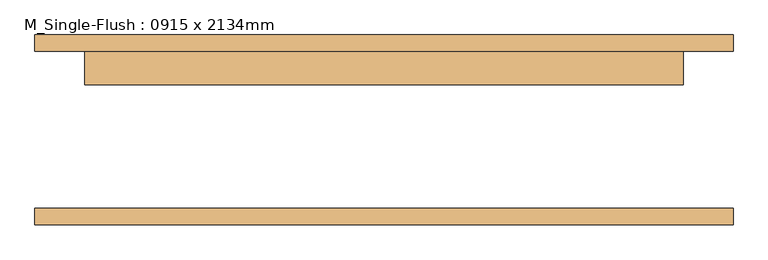
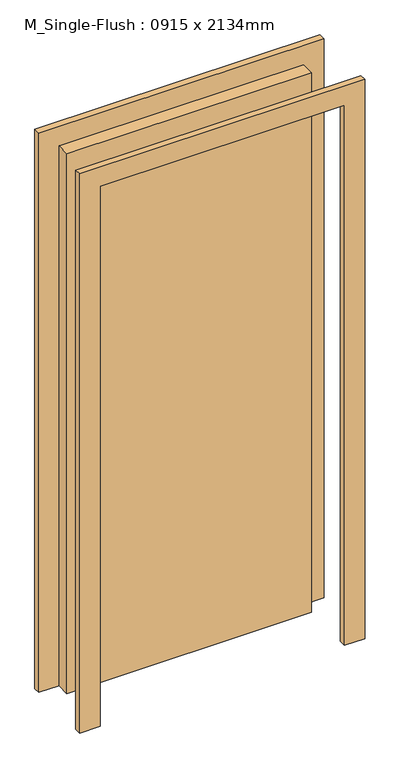
"""IFC4 building model written with IfcOpenShell, lengths in millimetres: door geometry, M_Single-Flush : 0915 x 2134mm."""

from ifc_helpers import new_model, si_unit, frame, origin, origin_with_axes, place, context, project, spatial, polyline, outline, extrude, source, transform, mapped, element, save


def m_single_flush_0915_x_2134mm_c020cfaa(model_context):
    return source(origin(), model_context, "Body", "SweptSolid", [
        extrude(outline(polyline([(2210.0, -533.5), (0.0, -533.5), (0.0, -457.5), (2134.0, -457.5), (2134.0, 457.5), (0.0, 457.5), (0.0, 533.5), (2210.0, 533.5), (2210.0, -533.5)])), frame((0.0, 120.0, 0.0), z_axis=(0.0, 1.0, 0.0), x_axis=(0.0, 0.0, 1.0)), (0.0, 0.0, 1.0), 25.0),
        extrude(outline(polyline([(2210.0, 533.5), (2210.0, -533.5), (0.0, -533.5), (0.0, -457.5), (2134.0, -457.5), (2134.0, 457.5), (0.0, 457.5), (0.0, 533.5), (2210.0, 533.5)])), frame((0.0, -145.0, 0.0), z_axis=(0.0, 1.0, 0.0), x_axis=(0.0, 0.0, 1.0)), (0.0, 0.0, 1.0), 25.0),
        extrude(outline(polyline([(457.5, 69.0), (-457.5, 69.0), (-457.5, 120.0), (457.5, 120.0), (457.5, 69.0)])), origin_with_axes(), (0.0, 0.0, 1.0), 2134.0),
    ])


if __name__ == "__main__":
    model = new_model("IFC4")
    model_context = context("Model", 3, world=origin())
    ifc_project = project(units=[si_unit("LENGTHUNIT", "METRE", prefix="MILLI")], contexts=[model_context])
    site = spatial("IfcSite", under=ifc_project)
    building = spatial("IfcBuilding", under=site)
    placement = place(None, origin())
    m_single_flush_0915_x_2134mm_shape = m_single_flush_0915_x_2134mm_c020cfaa(model_context)
    element("IfcDoor", 1, ObjectType="M_Single-Flush : 0915 x 2134mm", at=placement, inside=building, context=model_context, shape_type="MappedRepresentation", body=[
        mapped(m_single_flush_0915_x_2134mm_shape, transform((0.0, 0.0, 0.0), x_axis=(1.0, 0.0, 0.0), y_axis=(0.0, 1.0, 0.0), z_axis=(0.0, 0.0, 1.0))),
    ])
    save(model, "model.ifc")
